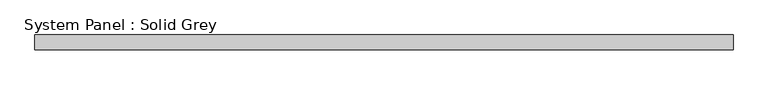
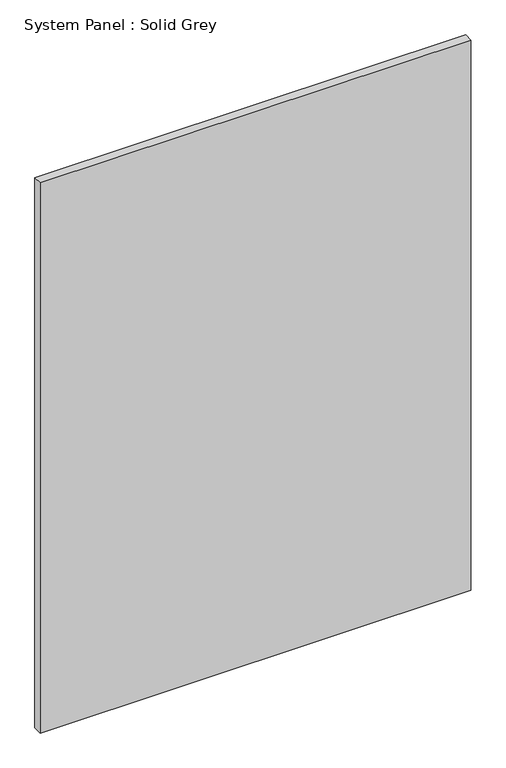
"""IFC4 building model written with IfcOpenShell, lengths in millimetres: plate geometry, System Panel : Solid Grey."""

from ifc_helpers import new_model, si_unit, origin, origin_with_axes, place, context, project, spatial, polyline, outline, extrude, source, transform, mapped, element, save


def system_panel_solid_grey_abb70454(model_context):
    return source(origin(), model_context, "Body", "SweptSolid", [
        extrude(outline(polyline([(1425.0, -30.0), (-1425.0, -30.0), (-1425.0, 30.0), (1425.0, 30.0), (1425.0, -30.0)])), origin_with_axes(), (0.0, 0.0, 1.0), 3850.0),
    ])


if __name__ == "__main__":
    model = new_model("IFC4")
    model_context = context("Model", 3, world=origin())
    ifc_project = project(units=[si_unit("LENGTHUNIT", "METRE", prefix="MILLI")], contexts=[model_context])
    site = spatial("IfcSite", under=ifc_project)
    building = spatial("IfcBuilding", under=site)
    placement = place(None, origin())
    system_panel_solid_grey_shape = system_panel_solid_grey_abb70454(model_context)
    element("IfcPlate", 1, ObjectType="System Panel : Solid Grey", at=placement, inside=building, context=model_context, shape_type="MappedRepresentation", body=[
        mapped(system_panel_solid_grey_shape, transform((0.0, 0.0, 0.0), x_axis=(1.0, 0.0, 0.0), y_axis=(0.0, 1.0, 0.0), z_axis=(0.0, 0.0, 1.0))),
    ])
    save(model, "model.ifc")
